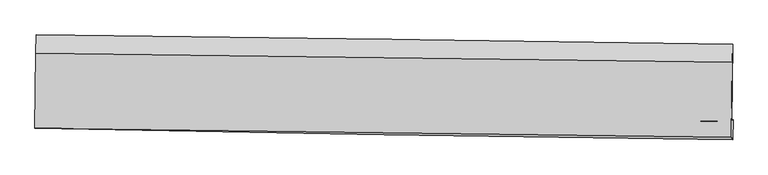
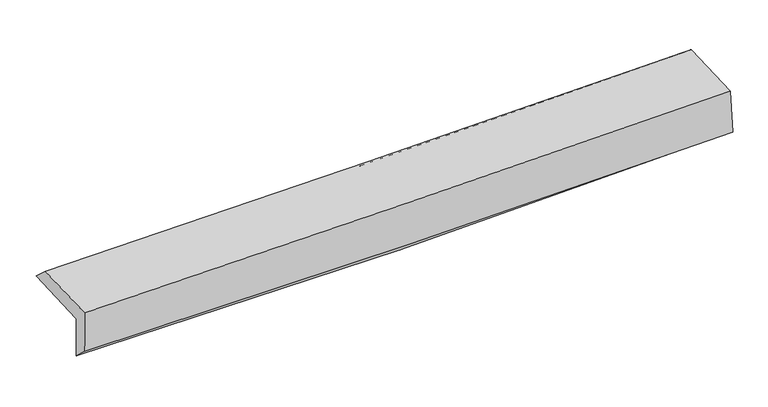
"""IFC4 building model written with IfcOpenShell, lengths in millimetres: proxy geometry."""

from ifc_helpers import new_model, si_unit, frame, origin, place, context, project, spatial, source, transform, mapped, element, save
from ifc_brep_helpers import plane_surface, spline_curve, spline_surface, advanced_brep


def generic_models_7f7b6c0c(model_context):
    return source(origin(), model_context, "Body", "AdvancedBrep", [
        advanced_brep(
        [(-3026.5102087, -1758.2952599, 1944.6670042), (-3019.9065531, -1094.1367734, 1966.053167), (3012.4910689, -1173.2720279, 2126.5385419), (3005.8329588, -1842.9072473, 2104.9760262), (-3017.5382545, -1746.1579744, 1564.966872), (3015.3675991, -1830.0087583, 1701.4625727), (-3022.2349263, -1890.5501727, 1700.3508975), (3010.3321199, -2000.7622651, 1839.291394), (-3031.5298149, -1903.2518903, 2093.6592941), (3001.235047, -1981.8860971, 2238.6047362), (-3024.9883927, -1253.6166234, 2111.04929), (3007.7764632, -1332.2514275, 2255.9947161)],
        [
            (0, 1),
            (1, 2, spline_curve(3, [(-3019.9065531, -1094.1367734, 1966.053167), (-2014.232611819, -1106.35447679, 1981.446944085), (-1008.695615144, -1119.057936161, 2002.51762276), (1002.103592203, -1145.43635507, 2056.012757573), (2007.365802589, -1159.111313907, 2088.437204203), (3012.4910689, -1173.2720279, 2126.5385419)], [4, 2, 4], [0.0, 9.900223980043975, 19.800439125892744])),
            (2, 3),
            (3, 0, spline_curve(3, [(3005.8329588, -1842.9072473, 2104.9760262), (2000.734919731, -1826.008167459, 2066.9628651), (995.490860646, -1810.507630946, 2034.597202684), (-1015.290194979, -1782.30363267, 1981.160852075), (-2020.827191554, -1769.600173199, 1960.09017373), (-3026.5102087, -1758.2952599, 1944.6670042)], [4, 2, 4], [0.0, 9.900215145848769, 19.800439125892744])),
            (4, 0),
            (3, 5),
            (5, 4, spline_curve(3, [(3015.3675991, -1830.0087583, 1701.4625727), (2010.444112491, -1819.762216204, 1652.899161485), (1005.240439042, -1807.651383987, 1617.242813184), (-1005.728178059, -1779.701125743, 1571.744223516), (-2011.493122848, -1763.861696846, 1561.902004648), (-3017.5382545, -1746.1579744, 1564.966872)], [4, 2, 4], [0.0, 9.900478142498853, 19.80096511942759])),
            (6, 4),
            (5, 7),
            (7, 6, spline_curve(3, [(3010.3321199, -2000.7622651, 1839.291394), (2004.988872876, -1992.112161722, 1808.020277746), (999.603553218, -1978.602775135, 1780.806348098), (-1011.252128784, -1941.865419474, 1734.492842239), (-2016.722491247, -1918.637441906, 1715.393272933), (-3022.2349263, -1890.5501727, 1700.3508975)], [4, 2, 4], [0.0, 9.900545208365754, 19.80109925122124])),
            (8, 6),
            (7, 9),
            (9, 8, spline_curve(3, [(3001.235047, -1981.8860971, 2238.6047362), (1995.926160768, -1967.975906863, 2208.273363771), (990.541536761, -1954.467964285, 2181.028894836), (-1020.380083557, -1928.256561021, 2132.713742008), (-2025.917080348, -1915.553101619, 2111.64306371), (-3031.5298149, -1903.2518903, 2093.6592941)], [4, 2, 4], [0.0, 9.900154220266968, 19.80031727467478])),
            (10, 8),
            (9, 11),
            (11, 10, spline_curve(3, [(3007.7764632, -1332.2514275, 2255.9947161), (2002.46757987, -1318.340938575, 2225.663351674), (997.0829579, -1304.832796691, 2198.41888795), (-1013.838660296, -1278.621194614, 2150.103740693), (-2019.375657039, -1265.917735174, 2129.033062042), (-3024.9883927, -1253.6166234, 2111.04929)], [4, 2, 4], [0.0, 9.900015675331362, 19.80004018467994])),
            (1, 10),
            (11, 2),
        ],
        [
            spline_surface(3, 3, [[(-3026.5102087, -1758.2952599, 1944.6670042), (-2020.827191626, -1769.600173242, 1960.09017363), (-1015.290194947, -1782.303632663, 1981.160852), (995.490860614, -1810.507630953, 2034.597202759), (2000.734919791, -1826.008167344, 2066.96286503), (3005.8329588, -1842.9072473, 2104.9760262)], [(-3024.308990158, -1536.909097724, 1951.795725131), (-2018.628998342, -1548.518274412, 1967.209097163), (-1013.092001662, -1561.221733833, 1988.279775532), (997.69510441, -1588.817205703, 2041.735721079), (2002.945214095, -1603.709216217, 2074.120978121), (3008.052328862, -1619.695507493, 2112.163531444)], [(-3022.107771642, -1315.522935576, 1958.924446069), (-2016.430805083, -1327.436375609, 1974.328020702), (-1010.893808304, -1340.139834931, 1995.398699072), (999.899348281, -1367.12678038, 2048.874239407), (2005.155508313, -1381.41026511, 2081.279091181), (3010.271698838, -1396.483767707, 2119.351036656)], [(-3019.9065531, -1094.1367734, 1966.053167), (-2014.232611799, -1106.354476779, 1981.446944235), (-1008.695615019, -1119.057936101, 2002.517622604), (1002.103592078, -1145.43635513, 2056.012757728), (2007.365802616, -1159.111313983, 2088.437204273), (3012.4910689, -1173.2720279, 2126.5385419)]], [4, 4], [4, 2, 4], [0.0, 2.18023467649274], [0.0, 9.900223980043975, 19.800439125892744]),
            spline_surface(3, 3, [[(-3017.5382545, -1746.1579744, 1564.966872), (-2011.493122692, -1763.861696964, 1561.902004538), (-1005.728178204, -1779.701125886, 1571.744223392), (1005.240439187, -1807.651383844, 1617.242813308), (2010.444112516, -1819.762216252, 1652.899161392), (3015.3675991, -1830.0087583, 1701.4625727)], [(-3020.528905891, -1750.20373622, 1691.53358271), (-2014.604478995, -1765.774522377, 1694.631394213), (-1008.915517122, -1780.568628132, 1708.216432914), (1001.990579659, -1808.603466201, 1756.36094311), (2007.207714913, -1821.844199945, 1790.920395946), (3012.189385639, -1834.308254629, 1835.967057208)], [(-3023.519557309, -1754.24949808, 1818.10029349), (-2017.715835324, -1767.687347829, 1827.360783956), (-1012.102856029, -1781.436130417, 1844.688642479), (998.740720142, -1809.555548596, 1895.479072956), (2003.971317394, -1823.926183651, 1928.941630475), (3009.011172261, -1838.607750971, 1970.471541692)], [(-3026.5102087, -1758.2952599, 1944.6670042), (-2020.827191626, -1769.600173242, 1960.09017363), (-1015.290194947, -1782.303632663, 1981.160852), (995.490860614, -1810.507630953, 2034.597202759), (2000.734919791, -1826.008167344, 2066.96286503), (3005.8329588, -1842.9072473, 2104.9760262)]], [4, 4], [4, 2, 4], [0.0, 1.3566511391421499], [0.0, 9.900486976928738, 19.80096511942759]),
            spline_surface(3, 3, [[(-3022.2349263, -1890.5501727, 1700.3508975), (-2016.722491112, -1918.637441983, 1715.393272778), (-1011.252128781, -1941.865419585, 1734.492842122), (999.603553215, -1978.602775024, 1780.806348214), (2004.988872942, -1992.1121616, 1808.020277668), (3010.3321199, -2000.7622651, 1839.291394)], [(-3020.669369038, -1842.419439933, 1655.222889021), (-2014.979368311, -1867.045526976, 1664.229516719), (-1009.410811923, -1887.810655008, 1680.243302562), (1001.482515205, -1921.618977953, 1726.285169928), (2006.807286149, -1934.662179825, 1756.313238893), (3012.010612982, -1943.844429507, 1793.348453551)], [(-3019.103811762, -1794.288707167, 1610.094880479), (-2013.236245494, -1815.453611971, 1613.065760597), (-1007.569495063, -1833.755890463, 1625.993762953), (1003.361477197, -1864.635180914, 1671.763991594), (2008.625699309, -1877.212198028, 1704.606200166), (3013.689106018, -1886.926593893, 1747.405513149)], [(-3017.5382545, -1746.1579744, 1564.966872), (-2011.493122692, -1763.861696964, 1561.902004538), (-1005.728178204, -1779.701125886, 1571.744223392), (1005.240439187, -1807.651383844, 1617.242813308), (2010.444112516, -1819.762216252, 1652.899161392), (3015.3675991, -1830.0087583, 1701.4625727)]], [4, 4], [4, 2, 4], [0.0, 0.7651644544140398], [0.0, 9.900554042855484, 19.80109925122124]),
            spline_surface(3, 3, [[(-3031.5298149, -1903.2518903, 2093.6592941), (-2025.917080336, -1915.553101746, 2111.643063614), (-1020.380083657, -1928.256561168, 2132.713741984), (990.541536861, -1954.467964138, 2181.028894859), (1995.926160776, -1967.975907012, 2208.273363857), (3001.235047, -1981.8860971, 2238.6047362)], [(-3028.431518697, -1899.017984443, 1962.556495226), (-2022.852217258, -1916.581215169, 1979.559799995), (-1017.337432021, -1932.792847327, 1999.973442019), (993.562208989, -1962.512901119, 2047.6213793), (1998.947064819, -1976.02132521, 2074.855668471), (3004.267404621, -1988.178153102, 2105.500288811)], [(-3025.333222503, -1894.784078557, 1831.453696374), (-2019.78735419, -1917.609328561, 1847.476536398), (-1014.294780417, -1937.329133427, 1867.233142088), (996.582881086, -1970.557838042, 1914.213863774), (2001.967968899, -1984.066743403, 1941.437973053), (3007.299762279, -1994.470209098, 1972.395841389)], [(-3022.2349263, -1890.5501727, 1700.3508975), (-2016.722491112, -1918.637441983, 1715.393272778), (-1011.252128781, -1941.865419585, 1734.492842122), (999.603553215, -1978.602775024, 1780.806348214), (2004.988872942, -1992.1121616, 1808.020277668), (3010.3321199, -2000.7622651, 1839.291394)]], [4, 4], [4, 2, 4], [0.0, 1.3115846289422606], [0.0, 9.90016305440781, 19.80031727467478]),
            spline_surface(3, 3, [[(-3024.9883927, -1253.6166234, 2111.04929), (-2019.375657134, -1265.917735287, 2129.03306218), (-1013.838660454, -1278.621194609, 2150.103740549), (997.082958058, -1304.832796696, 2198.418888094), (2002.467579984, -1318.340938736, 2225.663351752), (3007.7764632, -1332.2514275, 2255.9947161)], [(-3027.168866774, -1470.16171238, 2105.252624714), (-2021.556131542, -1482.462857454, 2123.236396005), (-1016.019134863, -1495.166316775, 2144.307074375), (994.902484318, -1521.37785249, 2192.622223696), (2000.287106912, -1534.885928157, 2219.866689131), (3005.595991131, -1548.796317363, 2250.198056144)], [(-3029.349340826, -1686.70680132, 2099.455959386), (-2023.736605928, -1699.00797958, 2117.439729789), (-1018.199609248, -1711.711439001, 2138.510408159), (992.722010601, -1737.922908344, 2186.825559257), (1998.106633848, -1751.430917591, 2214.070026478), (3003.415519069, -1765.341207237, 2244.401396156)], [(-3031.5298149, -1903.2518903, 2093.6592941), (-2025.917080336, -1915.553101746, 2111.643063614), (-1020.380083657, -1928.256561168, 2132.713741984), (990.541536861, -1954.467964138, 2181.028894859), (1995.926160776, -1967.975907012, 2208.273363857), (3001.235047, -1981.8860971, 2238.6047362)]], [4, 4], [4, 2, 4], [0.0, 2.1322208065646917], [0.0, 9.900024509348578, 19.80004018467994]),
            spline_surface(3, 3, [[(-3019.9065531, -1094.1367734, 1966.053167), (-2014.232611799, -1106.354476779, 1981.446944235), (-1008.695615019, -1119.057936101, 2002.517622604), (1002.103592078, -1145.43635513, 2056.012757728), (2007.365802616, -1159.111313983, 2088.437204273), (3012.4910689, -1173.2720279, 2126.5385419)], [(-3021.600499641, -1147.296723399, 2014.385207999), (-2015.946960252, -1159.542229615, 2030.642316882), (-1010.409963472, -1172.245688936, 2051.712995251), (1000.43004743, -1198.568502318, 2103.481467849), (2005.733061737, -1212.187855573, 2134.179253408), (3010.919533665, -1226.265161106, 2169.690599942)], [(-3023.294446159, -1200.456673401, 2062.717249001), (-2017.661308681, -1212.729982452, 2079.837689532), (-1012.124312001, -1225.433441773, 2100.908367902), (998.756502706, -1251.700649508, 2150.950177974), (2004.100320863, -1265.264397146, 2179.921302617), (3009.347998435, -1279.258294294, 2212.842658058)], [(-3024.9883927, -1253.6166234, 2111.04929), (-2019.375657134, -1265.917735287, 2129.03306218), (-1013.838660454, -1278.621194609, 2150.103740549), (997.082958058, -1304.832796696, 2198.418888094), (2002.467579984, -1318.340938736, 2225.663351752), (3007.7764632, -1332.2514275, 2255.9947161)]], [4, 4], [4, 2, 4], [0.0, 0.7073503320320238], [0.0, 9.90009925446354, 19.80018967484317]),
            plane_surface(frame((3008.8392095, -1693.5146372, 2044.4779979), z_axis=(0.99967184606073, -0.010689241076169932, 0.023279611653714744), x_axis=(0.022750488929351803, -0.04720661884061232, -0.9986260313005628))),
            plane_surface(frame((-3023.7846917, -1607.6681157, 1896.7910875), z_axis=(-0.9996718460607249, 0.01068924107557029, -0.02327961165420787), x_axis=(-0.009937249886041548, -0.9994326201193845, -0.0321821209059414))),
        ],
        [
            (0, [[1, 2, 3, 4]]),
            (1, [[5, -4, 6, 7]]),
            (2, [[8, -7, 9, 10]]),
            (3, [[11, -10, 12, 13]]),
            (4, [[14, -13, 15, 16]]),
            (5, [[17, -16, 18, -2]]),
            (6, [[-12, -9, -6, -3, -18, -15]]),
            (7, [[-1, -5, -8, -11, -14, -17]]),
        ],
    ),
    ])


if __name__ == "__main__":
    model = new_model("IFC4")
    model_context = context("Model", 3, world=origin())
    ifc_project = project(units=[si_unit("LENGTHUNIT", "METRE", prefix="MILLI")], contexts=[model_context])
    site = spatial("IfcSite", under=ifc_project)
    building = spatial("IfcBuilding", under=site)
    placement = place(None, origin())
    generic_models_shape = generic_models_7f7b6c0c(model_context)
    element("IfcBuildingElementProxy", 1, Name="Generic Models", at=placement, inside=building, context=model_context, shape_type="MappedRepresentation", body=[
        mapped(generic_models_shape, transform((0.0, 0.0, 0.0), x_axis=(1.0, 0.0, 0.0), y_axis=(0.0, 1.0, 0.0), z_axis=(0.0, 0.0, 1.0))),
    ])
    save(model, "model.ifc")
